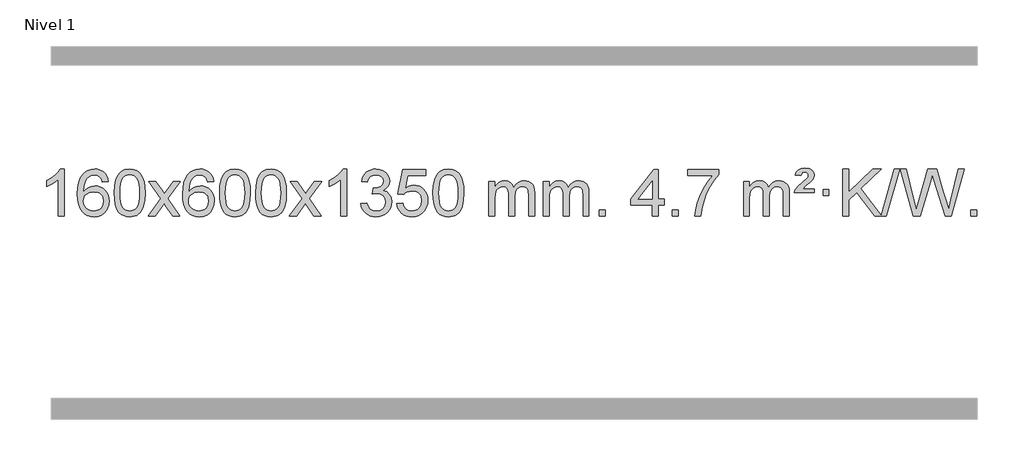
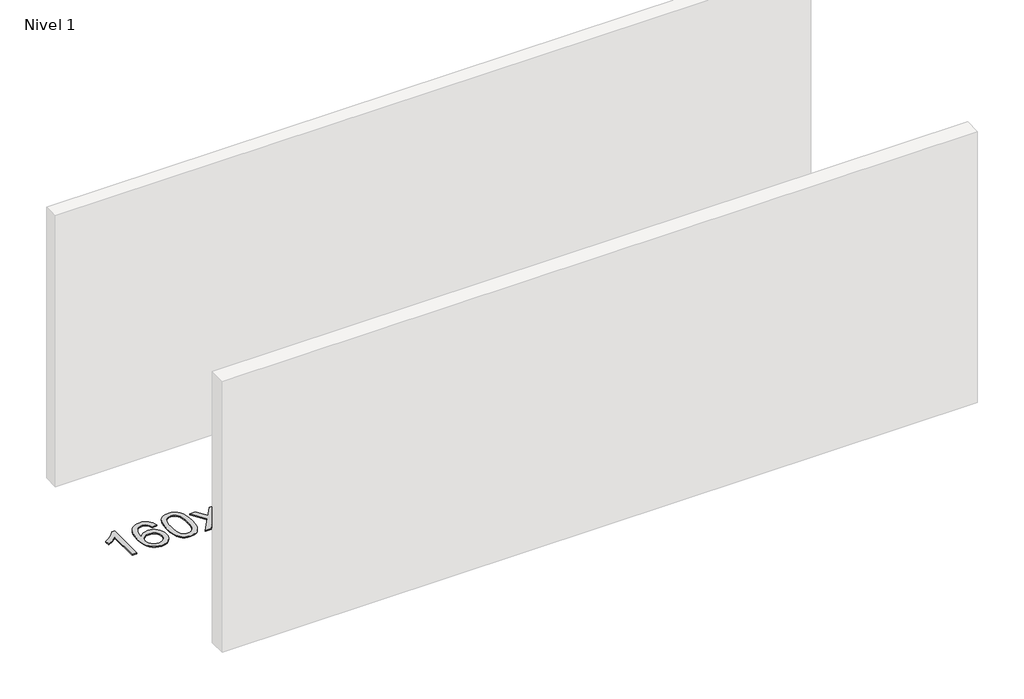
# One storey, part 3 of 10: 1 proxy.
"""IFC4 building model written with IfcOpenShell, lengths in millimetres."""

from ifc_helpers import new_model, si_unit, origin, origin_with_axes, place, context, project, spatial, polyline, outline, extrude, element, save

model = new_model("IFC4")

# Units and contexts
model_context = context("Model", 3, world=origin())
ifc_project = project(units=[si_unit("LENGTHUNIT", "METRE", prefix="MILLI")], contexts=[model_context])

# Site, building, storey
site = spatial("IfcSite", under=ifc_project)
building = spatial("IfcBuilding", under=site)
storey = spatial("IfcBuildingStorey", under=building, Name="Nivel 1", Elevation=0.0)

# Proxy
placement = place(None, origin())
element("IfcBuildingElementProxy", 1, Name="Texto de modelo 1", ObjectType="Texto de modelo 1", at=placement, inside=storey, context=model_context, shape_type="SweptSolid", body=[
    extrude(outline(polyline([(-6421.6378538, -18471.579453), (-6471.8660089, -18471.579453), (-6471.8660089, -18158.4382987), (-6492.8352826, -18175.3976587), (-6519.4454136, -18192.3324932), (-6572.3223191, -18217.6918254), (-6572.3223191, -18170.2105225), (-6532.8731065, -18148.7507395), (-6498.6968691, -18123.219729), (-6471.7556443, -18096.0700378), (-6454.0114694, -18069.7542124), (-6421.6378538, -18069.7542124), (-6421.6378538, -18471.579453)])), origin_with_axes(), (0.0, 0.0, 1.0), 10.0),
    extrude(outline(polyline([(-6044.9266908, -18176.4890419), (-6095.1548459, -18182.7675613), (-6103.2482498, -18157.874213), (-6114.1866077, -18140.8780648), (-6136.970766, -18125.2062918), (-6164.5128647, -18119.9823675), (-6187.8611086, -18123.0235253), (-6209.8359265, -18132.1469988), (-6228.7082728, -18151.3627017), (-6244.1225284, -18177.8134171), (-6254.5335889, -18215.227016), (-6258.3963499, -18267.3313693), (-6238.2486793, -18243.8237098), (-6214.1033576, -18227.2567573), (-6187.3092857, -18217.434308), (-6159.215364, -18214.1601582), (-6135.0823051, -18216.398107), (-6112.8131816, -18223.1119534), (-6092.4079936, -18234.3016975), (-6073.8667411, -18249.9673391), (-6058.4586168, -18269.1769106), (-6047.4528138, -18290.9984443), (-6040.849332, -18315.4319401), (-6038.6481714, -18342.4773982), (-6042.7929752, -18378.4439945), (-6055.2273867, -18411.786366), (-6074.9213361, -18440.0642287), (-6100.8447541, -18460.8372987), (-6131.820418, -18473.602804), (-6166.6711057, -18477.8579724), (-6196.6136344, -18475.0375437), (-6223.6560268, -18466.5762579), (-6247.7982827, -18452.4741147), (-6269.0404022, -18432.7311143), (-6286.3584472, -18406.5133908), (-6298.7284793, -18372.9870783), (-6306.1504985, -18332.1521768), (-6308.6245049, -18284.0086864), (-6305.8776527, -18230.0342663), (-6297.637096, -18183.9693092), (-6283.9028349, -18145.8138149), (-6264.6748692, -18115.5677835), (-6243.8343542, -18095.5243462), (-6219.6706385, -18081.2076052), (-6192.1837221, -18072.6175606), (-6161.373605, -18069.7542124), (-6138.2399589, -18071.5261773), (-6117.301342, -18076.8420722), (-6098.5577543, -18085.7018969), (-6082.0091959, -18098.1056515), (-6068.1032565, -18113.6364031), (-6057.2875258, -18131.8772186), (-6049.5620039, -18152.8280983), (-6044.9266908, -18176.4890419)]), holes=[polyline([(-6258.3963499, -18341.6925832), (-6255.4900821, -18363.9494439), (-6246.7712788, -18385.2007605), (-6233.2332214, -18403.472233), (-6215.8691912, -18416.7895612), (-6194.9121802, -18424.9197533), (-6170.5951803, -18427.6298173), (-6137.4490126, -18422.0134855), (-6123.5338761, -18414.9930708), (-6111.3907046, -18405.1644901), (-6101.5406642, -18392.9262824), (-6094.504921, -18378.6769865), (-6088.8763265, -18344.1451299), (-6094.4313446, -18310.9989621), (-6101.3751173, -18297.3781312), (-6111.096399, -18285.725469), (-6123.2763587, -18276.3904634), (-6137.5961654, -18269.7226022), (-6172.6553195, -18264.3883133), (-6205.7524363, -18269.7226022), (-6233.4294251, -18285.725469), (-6244.3524547, -18297.2248471), (-6252.1546187, -18310.3858254), (-6256.8359171, -18325.2084042), (-6258.3963499, -18341.6925832)])]), origin_with_axes(), (0.0, 0.0, 1.0), 10.0),
    extrude(outline(polyline([(-5994.6985357, -18273.9041943), (-5991.007453, -18209.5861588), (-5979.934205, -18158.2911459), (-5961.5891561, -18119.2343407), (-5949.7310932, -18104.0009605), (-5936.0826711, -18091.6309284), (-5920.5979048, -18082.0598651), (-5903.230809, -18075.2233914), (-5862.8496286, -18069.7542124), (-5831.8984901, -18072.991574), (-5804.1847131, -18082.7036586), (-5781.0081474, -18098.5103217), (-5763.6686427, -18120.0314184), (-5750.5720437, -18147.0830078), (-5740.1241951, -18179.4811488), (-5733.2815899, -18220.6226186), (-5731.0007216, -18273.9041943), (-5734.6550161, -18337.8543477), (-5745.6178995, -18389.0267333), (-5763.8525837, -18428.1203266), (-5775.6830556, -18443.3996922), (-5789.3222805, -18455.8341036), (-5804.825441, -18465.4695462), (-5822.2477191, -18472.3520052), (-5862.8496286, -18477.8579724), (-5890.5143547, -18475.4667394), (-5915.039821, -18468.2930405), (-5936.4260277, -18456.3368757), (-5954.6729746, -18439.5982449), (-5972.1841576, -18409.3399508), (-5984.6921454, -18371.6381776), (-5992.1969381, -18326.4929255), (-5994.6985357, -18273.9041943)]), holes=[polyline([(-5944.4703806, -18273.8060924), (-5942.9988527, -18317.4706195), (-5938.5842687, -18352.8148822), (-5931.2266288, -18379.8388804), (-5920.9259329, -18398.5426142), (-5908.466996, -18411.2682656), (-5894.634633, -18420.3580165), (-5879.4288439, -18425.8118671), (-5862.8496286, -18427.6298173), (-5846.2704134, -18425.8057357), (-5831.0646243, -18420.3334911), (-5817.2322612, -18411.2130833), (-5804.7733243, -18398.4445124), (-5794.4726285, -18379.7101217), (-5787.1149886, -18352.6922549), (-5782.7004046, -18317.3909118), (-5781.2288766, -18273.8060924), (-5782.6513537, -18231.2973278), (-5786.9187848, -18196.5753989), (-5794.0311701, -18169.6403055), (-5803.9885094, -18150.4920476), (-5816.2389799, -18137.1440625), (-5830.2307584, -18127.6097875), (-5845.9638451, -18121.8892225), (-5863.4382398, -18119.9823675), (-5879.931616, -18121.6623619), (-5894.8798877, -18126.7023452), (-5908.283055, -18135.1023175), (-5920.141118, -18146.8622786), (-5930.7851704, -18167.708925), (-5938.388065, -18195.8151094), (-5942.9498017, -18231.1808319), (-5944.4703806, -18273.8060924)])]), origin_with_axes(), (0.0, 0.0, 1.0), 10.0),
    extrude(outline(polyline([(-5705.886644, -18471.579453), (-5598.5632033, -18323.2494325), (-5699.6081246, -18176.4890419), (-5639.1773756, -18176.4890419), (-5590.4207485, -18247.122385), (-5567.6611157, -18280.4770192), (-5547.9426408, -18253.2047007), (-5492.416985, -18176.4890419), (-5431.9862359, -18176.4890419), (-5538.1324542, -18323.2494325), (-5435.9103105, -18471.579453), (-5496.3410596, -18471.579453), (-5557.8509292, -18382.4048574), (-5569.1326437, -18366.1199477), (-5645.455895, -18471.579453), (-5705.886644, -18471.579453)])), origin_with_axes(), (0.0, 0.0, 1.0), 10.0),
    extrude(outline(polyline([(-5147.0984188, -18176.4890419), (-5197.3265739, -18182.7675613), (-5205.4199778, -18157.874213), (-5216.3583358, -18140.8780648), (-5239.142494, -18125.2062918), (-5266.6845927, -18119.9823675), (-5290.0328367, -18123.0235253), (-5312.0076545, -18132.1469988), (-5330.8800009, -18151.3627017), (-5346.2942565, -18177.8134171), (-5356.7053169, -18215.227016), (-5360.5680779, -18267.3313693), (-5340.4204073, -18243.8237098), (-5316.2750857, -18227.2567573), (-5289.4810137, -18217.434308), (-5261.387092, -18214.1601582), (-5237.2540331, -18216.398107), (-5214.9849097, -18223.1119534), (-5194.5797217, -18234.3016975), (-5176.0384691, -18249.9673391), (-5160.6303449, -18269.1769106), (-5149.6245419, -18290.9984443), (-5143.02106, -18315.4319401), (-5140.8198994, -18342.4773982), (-5144.9647033, -18378.4439945), (-5157.3991147, -18411.786366), (-5177.0930642, -18440.0642287), (-5203.0164821, -18460.8372987), (-5233.9921461, -18473.602804), (-5268.8428338, -18477.8579724), (-5298.7853625, -18475.0375437), (-5325.8277548, -18466.5762579), (-5349.9700107, -18452.4741147), (-5371.2121303, -18432.7311143), (-5388.5301752, -18406.5133908), (-5400.9002073, -18372.9870783), (-5408.3222266, -18332.1521768), (-5410.796233, -18284.0086864), (-5408.0493807, -18230.0342663), (-5399.808824, -18183.9693092), (-5386.0745629, -18145.8138149), (-5366.8465973, -18115.5677835), (-5346.0060823, -18095.5243462), (-5321.8423665, -18081.2076052), (-5294.3554501, -18072.6175606), (-5263.545333, -18069.7542124), (-5240.4116869, -18071.5261773), (-5219.47307, -18076.8420722), (-5200.7294824, -18085.7018969), (-5184.1809239, -18098.1056515), (-5170.2749845, -18113.6364031), (-5159.4592539, -18131.8772186), (-5151.733732, -18152.8280983), (-5147.0984188, -18176.4890419)]), holes=[polyline([(-5360.5680779, -18341.6925832), (-5357.6618101, -18363.9494439), (-5348.9430068, -18385.2007605), (-5335.4049494, -18403.472233), (-5318.0409193, -18416.7895612), (-5297.0839083, -18424.9197533), (-5272.7669084, -18427.6298173), (-5239.6207406, -18422.0134855), (-5225.7056041, -18414.9930708), (-5213.5624326, -18405.1644901), (-5203.7123922, -18392.9262824), (-5196.676649, -18378.6769865), (-5191.0480545, -18344.1451299), (-5196.6030726, -18310.9989621), (-5203.5468453, -18297.3781312), (-5213.268127, -18285.725469), (-5225.4480867, -18276.3904634), (-5239.7678934, -18269.7226022), (-5274.8270476, -18264.3883133), (-5307.9241644, -18269.7226022), (-5335.6011532, -18285.725469), (-5346.5241827, -18297.2248471), (-5354.3263467, -18310.3858254), (-5359.0076451, -18325.2084042), (-5360.5680779, -18341.6925832)])]), origin_with_axes(), (0.0, 0.0, 1.0), 10.0),
    extrude(outline(polyline([(-5096.8702638, -18273.9041943), (-5093.1791811, -18209.5861588), (-5082.105933, -18158.2911459), (-5063.7608842, -18119.2343407), (-5051.9028212, -18104.0009605), (-5038.2543992, -18091.6309284), (-5022.7696329, -18082.0598651), (-5005.402537, -18075.2233914), (-4965.0213567, -18069.7542124), (-4934.0702182, -18072.991574), (-4906.3564412, -18082.7036586), (-4883.1798755, -18098.5103217), (-4865.8403708, -18120.0314184), (-4852.7437718, -18147.0830078), (-4842.2959231, -18179.4811488), (-4835.453318, -18220.6226186), (-4833.1724496, -18273.9041943), (-4836.8267441, -18337.8543477), (-4847.7896275, -18389.0267333), (-4866.0243118, -18428.1203266), (-4877.8547836, -18443.3996922), (-4891.4940086, -18455.8341036), (-4906.997169, -18465.4695462), (-4924.4194471, -18472.3520052), (-4965.0213567, -18477.8579724), (-4992.6860827, -18475.4667394), (-5017.2115491, -18468.2930405), (-5038.5977557, -18456.3368757), (-5056.8447027, -18439.5982449), (-5074.3558856, -18409.3399508), (-5086.8638735, -18371.6381776), (-5094.3686662, -18326.4929255), (-5096.8702638, -18273.9041943)]), holes=[polyline([(-5046.6421087, -18273.8060924), (-5045.1705807, -18317.4706195), (-5040.7559968, -18352.8148822), (-5033.3983568, -18379.8388804), (-5023.097661, -18398.5426142), (-5010.6387241, -18411.2682656), (-4996.8063611, -18420.3580165), (-4981.6005719, -18425.8118671), (-4965.0213567, -18427.6298173), (-4948.4421414, -18425.8057357), (-4933.2363523, -18420.3334911), (-4919.4039893, -18411.2130833), (-4906.9450524, -18398.4445124), (-4896.6443565, -18379.7101217), (-4889.2867166, -18352.6922549), (-4884.8721327, -18317.3909118), (-4883.4006047, -18273.8060924), (-4884.8230817, -18231.2973278), (-4889.0905129, -18196.5753989), (-4896.2028981, -18169.6403055), (-4906.1602375, -18150.4920476), (-4918.4107079, -18137.1440625), (-4932.4024864, -18127.6097875), (-4948.1355731, -18121.8892225), (-4965.6099679, -18119.9823675), (-4982.103344, -18121.6623619), (-4997.0516157, -18126.7023452), (-5010.4547831, -18135.1023175), (-5022.3128461, -18146.8622786), (-5032.9568985, -18167.708925), (-5040.559793, -18195.8151094), (-5045.1215298, -18231.1808319), (-5046.6421087, -18273.8060924)])]), origin_with_axes(), (0.0, 0.0, 1.0), 10.0),
    extrude(outline(polyline([(-4789.2228139, -18273.9041943), (-4785.5317312, -18209.5861588), (-4774.4584832, -18158.2911459), (-4756.1134344, -18119.2343407), (-4744.2553714, -18104.0009605), (-4730.6069494, -18091.6309284), (-4715.122183, -18082.0598651), (-4697.7550872, -18075.2233914), (-4657.3739068, -18069.7542124), (-4626.4227683, -18072.991574), (-4598.7089913, -18082.7036586), (-4575.5324257, -18098.5103217), (-4558.1929209, -18120.0314184), (-4545.0963219, -18147.0830078), (-4534.6484733, -18179.4811488), (-4527.8058681, -18220.6226186), (-4525.5249998, -18273.9041943), (-4529.1792943, -18337.8543477), (-4540.1421777, -18389.0267333), (-4558.3768619, -18428.1203266), (-4570.2073338, -18443.3996922), (-4583.8465587, -18455.8341036), (-4599.3497192, -18465.4695462), (-4616.7719973, -18472.3520052), (-4657.3739068, -18477.8579724), (-4685.0386329, -18475.4667394), (-4709.5640992, -18468.2930405), (-4730.9503059, -18456.3368757), (-4749.1972528, -18439.5982449), (-4766.7084358, -18409.3399508), (-4779.2164236, -18371.6381776), (-4786.7212164, -18326.4929255), (-4789.2228139, -18273.9041943)]), holes=[polyline([(-4738.9946588, -18273.8060924), (-4737.5231309, -18317.4706195), (-4733.1085469, -18352.8148822), (-4725.750907, -18379.8388804), (-4715.4502112, -18398.5426142), (-4702.9912742, -18411.2682656), (-4689.1589112, -18420.3580165), (-4673.9531221, -18425.8118671), (-4657.3739068, -18427.6298173), (-4640.7946916, -18425.8057357), (-4625.5889025, -18420.3334911), (-4611.7565394, -18411.2130833), (-4599.2976025, -18398.4445124), (-4588.9969067, -18379.7101217), (-4581.6392668, -18352.6922549), (-4577.2246828, -18317.3909118), (-4575.7531548, -18273.8060924), (-4577.1756319, -18231.2973278), (-4581.443063, -18196.5753989), (-4588.5554483, -18169.6403055), (-4598.5127876, -18150.4920476), (-4610.7632581, -18137.1440625), (-4624.7550366, -18127.6097875), (-4640.4881233, -18121.8892225), (-4657.962518, -18119.9823675), (-4674.4558942, -18121.6623619), (-4689.4041659, -18126.7023452), (-4702.8073333, -18135.1023175), (-4714.6653962, -18146.8622786), (-4725.3094486, -18167.708925), (-4732.9123432, -18195.8151094), (-4737.4740799, -18231.1808319), (-4738.9946588, -18273.8060924)])]), origin_with_axes(), (0.0, 0.0, 1.0), 10.0),
    extrude(outline(polyline([(-4500.4109222, -18471.579453), (-4393.0874815, -18323.2494325), (-4494.1324029, -18176.4890419), (-4433.7016538, -18176.4890419), (-4384.9450267, -18247.122385), (-4362.1853939, -18280.4770192), (-4342.466919, -18253.2047007), (-4286.9412632, -18176.4890419), (-4226.5105141, -18176.4890419), (-4332.6567324, -18323.2494325), (-4230.4345887, -18471.579453), (-4290.8653378, -18471.579453), (-4352.3752074, -18382.4048574), (-4363.6569219, -18366.1199477), (-4439.9801732, -18471.579453), (-4500.4109222, -18471.579453)])), origin_with_axes(), (0.0, 0.0, 1.0), 10.0),
    extrude(outline(polyline([(-4010.6864103, -18471.579453), (-4060.9145653, -18471.579453), (-4060.9145653, -18158.4382987), (-4081.8838391, -18175.3976587), (-4108.49397, -18192.3324932), (-4161.3708755, -18217.6918254), (-4161.3708755, -18170.2105225), (-4121.9216629, -18148.7507395), (-4087.7454255, -18123.219729), (-4060.8042007, -18096.0700378), (-4043.0600258, -18069.7542124), (-4010.6864103, -18069.7542124), (-4010.6864103, -18471.579453)])), origin_with_axes(), (0.0, 0.0, 1.0), 10.0),
    extrude(outline(polyline([(-3891.394542, -18364.8446235), (-3841.1663869, -18358.5661041), (-3829.9214606, -18390.1303793), (-3813.4526099, -18411.4430095), (-3790.9504945, -18423.5831154), (-3761.6057741, -18427.6298173), (-3727.1720193, -18422.0625364), (-3712.8981979, -18415.1034354), (-3700.5864138, -18405.3606939), (-3683.5902656, -18380.4428201), (-3677.9248829, -18350.2274455), (-3683.5412147, -18321.5449126), (-3700.3902101, -18298.2825078), (-3725.8966951, -18282.8682522), (-3757.4854957, -18277.730167), (-3792.7040654, -18283.2238715), (-3787.1122591, -18232.9957164), (-3779.0679061, -18233.5843276), (-3748.9751589, -18229.979084), (-3722.0707223, -18219.1633534), (-3710.9974743, -18210.9841103), (-3703.0880114, -18200.8673555), (-3698.3423336, -18188.8130888), (-3696.760441, -18174.8213102), (-3701.3467032, -18153.1285352), (-3715.1054899, -18135.5315131), (-3736.0992891, -18123.8696539), (-3762.390589, -18119.9823675), (-3788.7309398, -18123.9064421), (-3810.2642993, -18135.6786659), (-3825.9851232, -18155.299039), (-3834.8878675, -18182.7675613), (-3885.1160226, -18176.4890419), (-3879.1624656, -18152.5092672), (-3870.3271664, -18131.3867093), (-3858.6101248, -18113.1213683), (-3844.011341, -18097.713244), (-3826.9906673, -18085.4811677), (-3808.0079564, -18076.7439703), (-3787.0632081, -18071.5016519), (-3764.1564226, -18069.7542124), (-3732.5798846, -18073.2000404), (-3703.5785207, -18083.5375245), (-3679.1266307, -18099.8469596), (-3661.1985148, -18121.2086408), (-3650.1988432, -18145.8199463), (-3646.532286, -18171.8782543), (-3650.0149022, -18196.1584659), (-3660.4627509, -18218.1823347), (-3677.7286792, -18236.9443165), (-3701.6655343, -18251.4388671), (-3670.2238865, -18264.1430586), (-3646.9246934, -18285.77452), (-3632.5037192, -18315.1560286), (-3627.6967278, -18351.1103623), (-3630.1002235, -18376.5923218), (-3637.3107106, -18400.0631931), (-3649.3281891, -18421.5229762), (-3666.152659, -18440.971671), (-3686.6498175, -18457.1094278), (-3709.6853618, -18468.636397), (-3735.2592918, -18475.5525785), (-3763.3716076, -18477.8579724), (-3788.7799908, -18475.8898037), (-3811.932031, -18469.9852977), (-3832.8277283, -18460.1444543), (-3851.4670827, -18446.3672736), (-3867.0959362, -18429.4630959), (-3878.9601305, -18410.2412617), (-3887.0596658, -18388.7017708), (-3891.394542, -18364.8446235)])), origin_with_axes(), (0.0, 0.0, 1.0), 10.0),
    extrude(outline(polyline([(-3583.7470921, -18364.8446235), (-3533.518937, -18358.5661041), (-3524.2973617, -18388.7201649), (-3508.2086558, -18410.3148381), (-3485.3263957, -18423.3010725), (-3455.7241578, -18427.6298173), (-3436.5942941, -18426.1245668), (-3419.7207732, -18421.6088153), (-3405.1035953, -18414.0825628), (-3392.7427602, -18403.5458094), (-3382.9141796, -18390.519721), (-3375.8937648, -18375.5254641), (-3370.2774331, -18339.6324441), (-3375.5381456, -18305.8363514), (-3382.1140362, -18291.9181493), (-3391.3202832, -18279.9865099), (-3403.1875432, -18270.4154467), (-3417.7464732, -18263.5789729), (-3454.9393429, -18258.1097939), (-3479.3053937, -18260.2925604), (-3499.0361314, -18266.8408599), (-3514.7937435, -18276.8717757), (-3527.2404177, -18289.5023908), (-3577.4685727, -18283.2238715), (-3533.518937, -18076.0327318), (-3338.8848361, -18076.0327318), (-3338.8848361, -18126.2608869), (-3492.9047648, -18126.2608869), (-3514.3890733, -18236.919791), (-3496.6632925, -18224.2155994), (-3478.508316, -18215.1411769), (-3459.9241439, -18209.6965234), (-3440.9107761, -18207.8816388), (-3416.4496891, -18210.1318504), (-3393.9812963, -18216.882485), (-3373.5055976, -18228.1335427), (-3355.022593, -18243.8850234), (-3339.7217677, -18263.1743027), (-3328.7926067, -18285.038756), (-3322.2351102, -18309.4783832), (-3320.049278, -18336.4931844), (-3322.0174467, -18362.5147042), (-3327.9219527, -18386.7213394), (-3337.762796, -18409.1130902), (-3351.5399768, -18429.6899565), (-3372.4111486, -18450.7634634), (-3396.7649367, -18465.8159684), (-3424.601341, -18474.8474714), (-3455.9203615, -18477.8579724), (-3481.8407138, -18475.9235262), (-3505.2533371, -18470.1201877), (-3526.1582315, -18460.447957), (-3544.5553969, -18446.9068338), (-3559.8623536, -18430.1712688), (-3571.4966217, -18410.915712), (-3579.4582012, -18389.1401636), (-3583.7470921, -18364.8446235)])), origin_with_axes(), (0.0, 0.0, 1.0), 10.0),
    extrude(outline(polyline([(-3276.0996423, -18273.9041943), (-3272.4085596, -18209.5861588), (-3261.3353115, -18158.2911459), (-3242.9902627, -18119.2343407), (-3231.1321997, -18104.0009605), (-3217.4837777, -18091.6309284), (-3201.9990114, -18082.0598651), (-3184.6319156, -18075.2233914), (-3144.2507352, -18069.7542124), (-3113.2995967, -18072.991574), (-3085.5858197, -18082.7036586), (-3062.409254, -18098.5103217), (-3045.0697493, -18120.0314184), (-3031.9731503, -18147.0830078), (-3021.5253016, -18179.4811488), (-3014.6826965, -18220.6226186), (-3012.4018281, -18273.9041943), (-3016.0561226, -18337.8543477), (-3027.0190061, -18389.0267333), (-3045.2536903, -18428.1203266), (-3057.0841621, -18443.3996922), (-3070.7233871, -18455.8341036), (-3086.2265475, -18465.4695462), (-3103.6488257, -18472.3520052), (-3144.2507352, -18477.8579724), (-3171.9154613, -18475.4667394), (-3196.4409276, -18468.2930405), (-3217.8271343, -18456.3368757), (-3236.0740812, -18439.5982449), (-3253.5852642, -18409.3399508), (-3266.093252, -18371.6381776), (-3273.5980447, -18326.4929255), (-3276.0996423, -18273.9041943)]), holes=[polyline([(-3225.8714872, -18273.8060924), (-3224.3999592, -18317.4706195), (-3219.9853753, -18352.8148822), (-3212.6277354, -18379.8388804), (-3202.3270395, -18398.5426142), (-3189.8681026, -18411.2682656), (-3176.0357396, -18420.3580165), (-3160.8299505, -18425.8118671), (-3144.2507352, -18427.6298173), (-3127.67152, -18425.8057357), (-3112.4657308, -18420.3334911), (-3098.6333678, -18411.2130833), (-3086.1744309, -18398.4445124), (-3075.873735, -18379.7101217), (-3068.5160951, -18352.6922549), (-3064.1015112, -18317.3909118), (-3062.6299832, -18273.8060924), (-3064.0524603, -18231.2973278), (-3068.3198914, -18196.5753989), (-3075.4322767, -18169.6403055), (-3085.389616, -18150.4920476), (-3097.6400864, -18137.1440625), (-3111.631865, -18127.6097875), (-3127.3649516, -18121.8892225), (-3144.8393464, -18119.9823675), (-3161.3327225, -18121.6623619), (-3176.2809943, -18126.7023452), (-3189.6841616, -18135.1023175), (-3201.5422246, -18146.8622786), (-3212.186277, -18167.708925), (-3219.7891716, -18195.8151094), (-3224.3509083, -18231.1808319), (-3225.8714872, -18273.8060924)])]), origin_with_axes(), (0.0, 0.0, 1.0), 10.0),
    extrude(outline(polyline([(-2798.9321691, -18471.579453), (-2798.9321691, -18176.4890419), (-2748.704014, -18176.4890419), (-2748.704014, -18225.0494653), (-2733.5963267, -18202.7435537), (-2714.1721574, -18185.2691589), (-2691.0936936, -18173.9751816), (-2665.0231228, -18170.2105225), (-2637.0886167, -18174.048758), (-2614.6968659, -18185.5634645), (-2597.9704978, -18203.9943524), (-2587.0321399, -18228.5811324), (-2568.7238792, -18203.0439906), (-2547.8404446, -18184.803175), (-2524.3818361, -18173.8586857), (-2498.3480536, -18170.2105225), (-2478.2402368, -18171.7280358), (-2460.5910981, -18176.2805755), (-2445.4006374, -18183.8681416), (-2432.6688547, -18194.4907342), (-2422.6042164, -18208.2709806), (-2415.4151891, -18225.3315082), (-2411.1017727, -18245.6723168), (-2409.6639672, -18269.2934066), (-2409.6639672, -18471.579453), (-2459.8921223, -18471.579453), (-2459.8921223, -18290.875817), (-2461.057082, -18265.8230531), (-2464.5519609, -18248.9372695), (-2471.1002604, -18237.3735121), (-2481.4254818, -18228.2868268), (-2494.7060218, -18222.4007149), (-2510.1202774, -18220.4386776), (-2537.3312823, -18225.4663982), (-2559.5145666, -18240.54956), (-2568.1199396, -18252.1194488), (-2574.2666346, -18266.7182326), (-2579.1839906, -18305.0024856), (-2579.1839906, -18471.579453), (-2629.4121457, -18471.579453), (-2629.4121457, -18285.2840106), (-2632.3184135, -18256.8835206), (-2641.0372167, -18236.6254854), (-2656.3778959, -18224.4853796), (-2679.1497914, -18220.4386776), (-2698.5003844, -18223.1364789), (-2716.3303984, -18231.2298828), (-2731.0456782, -18244.5226856), (-2741.0520685, -18262.8186835), (-2746.7910276, -18288.2025411), (-2748.704014, -18322.7589232), (-2748.704014, -18471.579453), (-2798.9321691, -18471.579453)])), origin_with_axes(), (0.0, 0.0, 1.0), 10.0),
    extrude(outline(polyline([(-2334.3217346, -18471.579453), (-2334.3217346, -18176.4890419), (-2284.0935796, -18176.4890419), (-2284.0935796, -18225.0494653), (-2268.9858923, -18202.7435537), (-2249.5617229, -18185.2691589), (-2226.4832591, -18173.9751816), (-2200.4126884, -18170.2105225), (-2172.4781822, -18174.048758), (-2150.0864315, -18185.5634645), (-2133.3600634, -18203.9943524), (-2122.4217054, -18228.5811324), (-2104.1134448, -18203.0439906), (-2083.2300102, -18184.803175), (-2059.7714016, -18173.8586857), (-2033.7376191, -18170.2105225), (-2013.6298024, -18171.7280358), (-1995.9806637, -18176.2805755), (-1980.790203, -18183.8681416), (-1968.0584202, -18194.4907342), (-1957.993782, -18208.2709806), (-1950.8047547, -18225.3315082), (-1946.4913383, -18245.6723168), (-1945.0535328, -18269.2934066), (-1945.0535328, -18471.579453), (-1995.2816879, -18471.579453), (-1995.2816879, -18290.875817), (-1996.4466475, -18265.8230531), (-1999.9415265, -18248.9372695), (-2006.489826, -18237.3735121), (-2016.8150473, -18228.2868268), (-2030.0955874, -18222.4007149), (-2045.509843, -18220.4386776), (-2072.7208479, -18225.4663982), (-2094.9041322, -18240.54956), (-2103.5095052, -18252.1194488), (-2109.6562002, -18266.7182326), (-2114.5735562, -18305.0024856), (-2114.5735562, -18471.579453), (-2164.8017113, -18471.579453), (-2164.8017113, -18285.2840106), (-2167.707979, -18256.8835206), (-2176.4267823, -18236.6254854), (-2191.7674615, -18224.4853796), (-2214.539357, -18220.4386776), (-2233.88995, -18223.1364789), (-2251.719964, -18231.2298828), (-2266.4352438, -18244.5226856), (-2276.4416341, -18262.8186835), (-2282.1805932, -18288.2025411), (-2284.0935796, -18322.7589232), (-2284.0935796, -18471.579453), (-2334.3217346, -18471.579453)])), origin_with_axes(), (0.0, 0.0, 1.0), 10.0),
    extrude(outline(polyline([(-1857.1542614, -18471.579453), (-1857.1542614, -18421.3512979), (-1806.9261064, -18421.3512979), (-1806.9261064, -18471.579453), (-1857.1542614, -18471.579453)])), origin_with_axes(), (0.0, 0.0, 1.0), 10.0),
    extrude(outline(polyline([(-1405.1008658, -18471.579453), (-1405.1008658, -18377.4016622), (-1587.1779279, -18377.4016622), (-1587.1779279, -18327.1735072), (-1392.543827, -18076.0327318), (-1354.8727107, -18076.0327318), (-1354.8727107, -18327.1735072), (-1304.6445556, -18327.1735072), (-1304.6445556, -18377.4016622), (-1354.8727107, -18377.4016622), (-1354.8727107, -18471.579453), (-1405.1008658, -18471.579453)]), holes=[polyline([(-1405.1008658, -18327.1735072), (-1405.1008658, -18171.9763561), (-1525.3737527, -18327.1735072), (-1405.1008658, -18327.1735072)])]), origin_with_axes(), (0.0, 0.0, 1.0), 10.0),
    extrude(outline(polyline([(-1235.5808424, -18471.579453), (-1235.5808424, -18421.3512979), (-1185.3526873, -18421.3512979), (-1185.3526873, -18471.579453), (-1235.5808424, -18471.579453)])), origin_with_axes(), (0.0, 0.0, 1.0), 10.0),
    extrude(outline(polyline([(-1103.7319353, -18126.2608869), (-1103.7319353, -18076.0327318), (-840.0341212, -18076.0327318), (-840.0341212, -18116.646904), (-877.6193983, -18164.214046), (-914.8367935, -18224.7061088), (-947.6641302, -18292.6048623), (-972.079232, -18362.3920768), (-984.0476595, -18414.6067947), (-990.7185864, -18471.579453), (-1040.9467415, -18471.579453), (-1035.5143507, -18419.8061935), (-1020.9830119, -18358.2717985), (-997.7451325, -18293.0463207), (-966.19312, -18230.1998132), (-929.3558696, -18173.3865704), (-890.2622762, -18126.2608869), (-1103.7319353, -18126.2608869)])), origin_with_axes(), (0.0, 0.0, 1.0), 10.0),
    extrude(outline(polyline([(-626.5644621, -18471.579453), (-626.5644621, -18176.4890419), (-576.336307, -18176.4890419), (-576.336307, -18225.0494653), (-561.2286197, -18202.7435537), (-541.8044504, -18185.2691589), (-518.7259866, -18173.9751816), (-492.6554158, -18170.2105225), (-464.7209097, -18174.048758), (-442.3291589, -18185.5634645), (-425.6027909, -18203.9943524), (-414.6644329, -18228.5811324), (-396.3561722, -18203.0439906), (-375.4727377, -18184.803175), (-352.0141291, -18173.8586857), (-325.9803466, -18170.2105225), (-305.8725298, -18171.7280358), (-288.2233911, -18176.2805755), (-273.0329304, -18183.8681416), (-260.3011477, -18194.4907342), (-250.2365094, -18208.2709806), (-243.0474821, -18225.3315082), (-238.7340657, -18245.6723168), (-237.2962603, -18269.2934066), (-237.2962603, -18471.579453), (-287.5244153, -18471.579453), (-287.5244153, -18290.875817), (-288.689375, -18265.8230531), (-292.1842539, -18248.9372695), (-298.7325535, -18237.3735121), (-309.0577748, -18228.2868268), (-322.3383148, -18222.4007149), (-337.7525704, -18220.4386776), (-364.9635753, -18225.4663982), (-387.1468596, -18240.54956), (-395.7522326, -18252.1194488), (-401.8989276, -18266.7182326), (-406.8162836, -18305.0024856), (-406.8162836, -18471.579453), (-457.0444387, -18471.579453), (-457.0444387, -18285.2840106), (-459.9507065, -18256.8835206), (-468.6695098, -18236.6254854), (-484.010189, -18224.4853796), (-506.7820845, -18220.4386776), (-526.1326774, -18223.1364789), (-543.9626914, -18231.2298828), (-558.6779713, -18244.5226856), (-568.6843615, -18262.8186835), (-574.4233206, -18288.2025411), (-576.336307, -18322.7589232), (-576.336307, -18471.579453), (-626.5644621, -18471.579453)])), origin_with_axes(), (0.0, 0.0, 1.0), 10.0),
    extrude(outline(polyline([(-193.3466246, -18270.6668327), (-189.5206518, -18254.8479069), (-181.1819933, -18238.9799302), (-159.6731593, -18213.8413272), (-127.7164766, -18186.1030247), (-83.5706372, -18148.726214), (-76.4337265, -18137.1992448), (-74.0547563, -18125.3779701), (-75.9432172, -18113.2869152), (-81.6085999, -18103.5012541), (-90.977328, -18097.026531), (-103.9758252, -18094.8682899), (-116.4102366, -18096.4869707), (-125.26393, -18101.343013), (-131.6896022, -18110.8098431), (-136.8399501, -18126.2608869), (-187.0681052, -18119.9823675), (-176.2278491, -18094.7701881), (-159.5995829, -18077.2099542), (-135.834406, -18066.9092583), (-103.5834178, -18063.475693), (-67.8007624, -18067.6082341), (-43.0545668, -18080.0058573), (-28.6335926, -18098.3386434), (-23.8266012, -18120.2766731), (-27.9223541, -18143.1834586), (-40.2096127, -18164.8149199), (-60.737428, -18184.6314968), (-97.2067965, -18212.6886303), (-122.8113834, -18239.2742358), (-23.8266012, -18239.2742358), (-23.8266012, -18270.6668327), (-193.3466246, -18270.6668327)])), origin_with_axes(), (0.0, 0.0, 1.0), 10.0),
    extrude(outline(polyline([(51.5156314, -18295.7809102), (51.5156314, -18245.5527552), (101.7437865, -18245.5527552), (101.7437865, -18295.7809102), (51.5156314, -18295.7809102)])), origin_with_axes(), (0.0, 0.0, 1.0), 10.0),
    extrude(outline(polyline([(492.3854144, -18471.579453), (338.954097, -18268.9009991), (271.2638099, -18333.4520265), (271.2638099, -18471.579453), (221.0356548, -18471.579453), (221.0356548, -18069.7542124), (271.2638099, -18069.7542124), (271.2638099, -18266.4484525), (477.2777272, -18069.7542124), (547.5186628, -18069.7542124), (374.5650741, -18234.9577537), (549.218684, -18465.5349332), (660.5320117, -18069.7542124), (705.8550735, -18069.7542124), (592.8417246, -18471.579453), (553.7971822, -18471.579453), (547.5186628, -18471.579453), (492.3854144, -18471.579453)])), origin_with_axes(), (0.0, 0.0, 1.0), 10.0),
    extrude(outline(polyline([(820.3399504, -18471.579453), (710.7601668, -18069.7542124), (762.5579517, -18069.7542124), (826.1279605, -18333.844434), (845.7483335, -18415.3670841), (866.7421327, -18343.2622131), (946.4008474, -18069.7542124), (1021.056367, -18069.7542124), (1078.9364675, -18268.0180823), (1103.731714, -18341.5944814), (1122.0031864, -18415.3670841), (1141.0349483, -18336.1988788), (1205.1935683, -18069.7542124), (1256.9913532, -18069.7542124), (1147.3134677, -18471.579453), (1093.6517474, -18471.579453), (997.3157155, -18161.5775584), (983.87576, -18118.3146358), (968.7680727, -18170.4067263), (880.9669032, -18471.579453), (820.3399504, -18471.579453)])), origin_with_axes(), (0.0, 0.0, 1.0), 10.0),
    extrude(outline(polyline([(1313.4980277, -18471.579453), (1313.4980277, -18421.3512979), (1363.7261827, -18421.3512979), (1363.7261827, -18471.579453), (1313.4980277, -18471.579453)])), origin_with_axes(), (0.0, 0.0, 1.0), 10.0),
])

save(model, "model.ifc")
